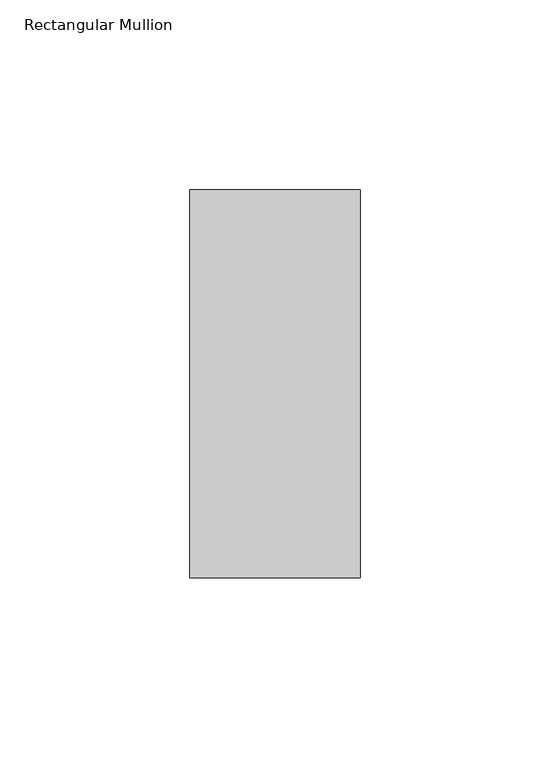
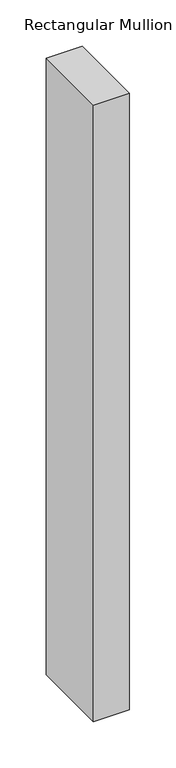
"""IFC4 building model written with IfcOpenShell, lengths in millimetres: member geometry, Rectangular Mullion."""

from ifc_helpers import new_model, si_unit, frame, origin, place, context, project, spatial, polyline, outline, extrude, source, transform, mapped, element, save


def rectangular_mullion_85fa6fe1(model_context):
    return source(origin(), model_context, "Body", "SweptSolid", [
        extrude(outline(polyline([(0.0, 66.73125), (0.0, -35.73125), (-45.0, -35.73125), (-45.0, 66.73125), (0.0, 66.73125)])), frame((0.0, 0.0, -815.1967012), z_axis=(0.0, 0.0, 1.0), x_axis=(1.0, 0.0, 0.0)), (0.0, 0.0, 1.0), 815.1967012),
    ])


if __name__ == "__main__":
    model = new_model("IFC4")
    model_context = context("Model", 3, world=origin())
    ifc_project = project(units=[si_unit("LENGTHUNIT", "METRE", prefix="MILLI")], contexts=[model_context])
    site = spatial("IfcSite", under=ifc_project)
    building = spatial("IfcBuilding", under=site)
    placement = place(None, origin())
    rectangular_mullion_shape = rectangular_mullion_85fa6fe1(model_context)
    element("IfcMember", 1, ObjectType="Rectangular Mullion", at=placement, inside=building, context=model_context, shape_type="MappedRepresentation", body=[
        mapped(rectangular_mullion_shape, transform((0.0, 0.0, 0.0), x_axis=(1.0, 0.0, 0.0), y_axis=(0.0, 1.0, 0.0), z_axis=(0.0, 0.0, 1.0))),
    ])
    save(model, "model.ifc")
